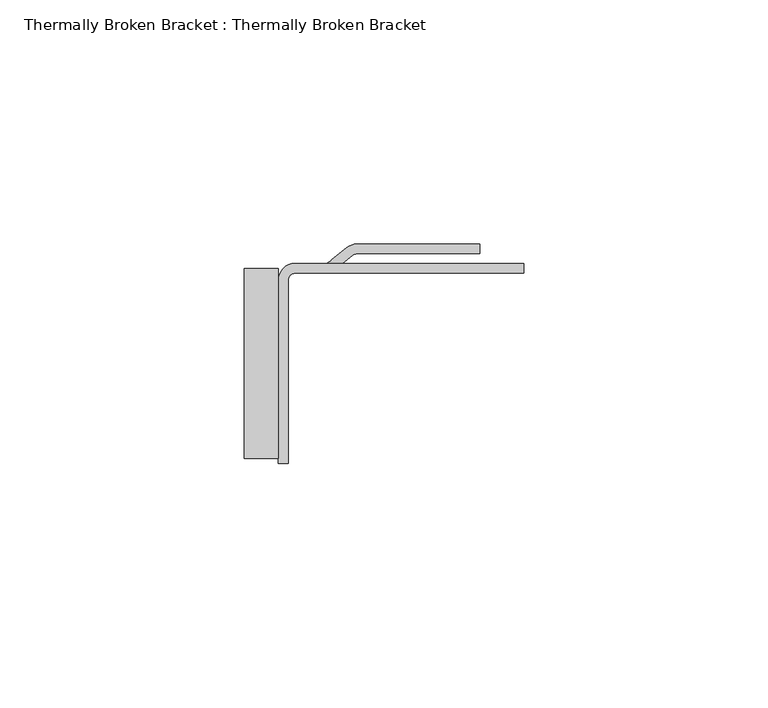
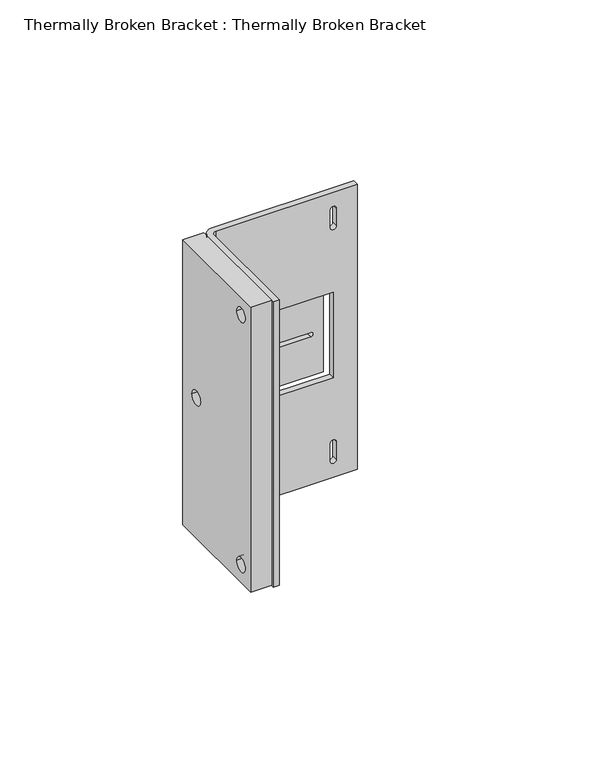
"""IFC4 building model written with IfcOpenShell, lengths in millimetres: proxy geometry, Thermally Broken Bracket : Thermally Broken Bracket."""

from ifc_helpers import new_model, si_unit, point, frame, frame_2d, origin, place, context, project, spatial, polyline, circle_curve, trimmed, segment, composite_curve, outline, extrude, source, transform, mapped, element, save
from ifc_brep_helpers import plane_surface, cylinder_surface, revolved_surface, advanced_brep


def thermally_broken_bracket_thermally_broken_bracket_c1fb8875(model_context):
    return source(origin(), model_context, "Body", "SolidModel", [
        extrude(outline(polyline([(1.0, 100.0), (40.0, 100.0), (40.0, 0.0), (1.0, 0.0), (1.0, 100.0)]), holes=[composite_curve([segment(trimmed(circle_curve(frame_2d((6.4576958, 94.0450858)), 2.4505536), [point((4.0071422, 94.0450858))], [point((8.9082494, 94.0450858))], True, "CARTESIAN"), True, "CONTINUOUS"), segment(trimmed(circle_curve(frame_2d((6.4576958, 94.0450858)), 2.4505536), [point((8.9082494, 94.0450858))], [point((4.0071422, 94.0450858))], True, "CARTESIAN"), True, "CONTINUOUS")], self_intersect=False), composite_curve([segment(trimmed(circle_curve(frame_2d((6.4576958, 6.4183695)), 2.4505536), [point((4.0071422, 6.4183695))], [point((8.9082494, 6.4183695))], True, "CARTESIAN"), True, "CONTINUOUS"), segment(trimmed(circle_curve(frame_2d((6.4576958, 6.4183695)), 2.4505536), [point((8.9082494, 6.4183695))], [point((4.0071422, 6.4183695))], True, "CARTESIAN"), True, "CONTINUOUS")], self_intersect=False), composite_curve([segment(trimmed(circle_curve(frame_2d((32.2095996, 49.2767345)), 2.4505536), [point((29.759046, 49.2767345))], [point((34.6601531, 49.2767345))], True, "CARTESIAN"), True, "CONTINUOUS"), segment(trimmed(circle_curve(frame_2d((32.2095996, 49.2767345)), 2.4505536), [point((34.6601531, 49.2767345))], [point((29.759046, 49.2767345))], True, "CARTESIAN"), True, "CONTINUOUS")], self_intersect=False)]), frame((-8.0, 0.0, 0.0), z_axis=(1.0, 0.0, 0.0), x_axis=(0.0, 1.0, 0.0)), (0.0, 0.0, 1.0), 7.0),
        advanced_brep(
        [(15.1051179, 43.0, 65.0), (40.3025503, 43.0, 65.0), (40.3025503, 44.9987252, 65.0), (15.1095921, 44.9987252, 65.0), (13.0308023, 44.2750459, 65.0), (9.9688758, 41.7869351, 65.0), (8.6606481, 41.0002977, 65.0), (7.8355145, 41.0002977, 65.0), (7.8355145, 39.0, 65.0), (8.8231592, 39.0, 65.0), (10.374929, 39.5400786, 65.0), (14.284638, 42.7129438, 65.0), (15.1051179, 43.0, 35.0), (14.284638, 42.7129438, 35.0), (10.374929, 39.5400786, 35.0), (8.8231592, 39.0, 35.0), (7.8355145, 39.0, 35.0), (7.8355145, 41.0002977, 35.0), (8.6606481, 41.0002977, 35.0), (9.9688758, 41.7869351, 35.0), (13.0308023, 44.2750459, 35.0), (15.1095921, 44.9987252, 35.0), (40.3025503, 44.9987252, 35.0), (40.3025503, 43.0, 35.0), (18.7460185, 43.0, 50.1951383), (36.1521604, 43.0, 50.1951383), (36.1521604, 43.0, 48.6407569), (18.7460185, 43.0, 48.6407569), (36.1521604, 44.9987252, 50.1951383), (18.7460185, 44.9987252, 50.1951383), (18.7460185, 44.9987252, 48.6407569), (36.1521604, 44.9987252, 48.6407569)],
        [
            (0, 1),
            (1, 2),
            (2, 3),
            (3, 4, circle_curve(frame((15.1095921, 41.6511935, 65.0), z_axis=(0.0, 0.0, 1.0), x_axis=(1.0, 0.0, 0.0)), 3.3475317)),
            (4, 5),
            (5, 6, circle_curve(frame((8.2342508, 43.1905747, 65.0), z_axis=(0.0, 0.0, -1.0), x_axis=(1.0, 0.0, 0.0)), 2.2313961)),
            (6, 7),
            (7, 8),
            (8, 9),
            (9, 10, circle_curve(frame((8.2345748, 43.1904732, 65.0), z_axis=(0.0, 0.0, 1.0), x_axis=(1.0, 0.0, 0.0)), 4.2316069)),
            (10, 11),
            (11, 0, circle_curve(frame((15.1167256, 41.6507238, 65.0), z_axis=(0.0, 0.0, -1.0), x_axis=(1.0, 0.0, 0.0)), 1.3493262)),
            (12, 13, circle_curve(frame((15.1167256, 41.6507238, 35.0), z_axis=(0.0, 0.0, 1.0), x_axis=(1.0, 0.0, 0.0)), 1.3493262)),
            (13, 14),
            (14, 15, circle_curve(frame((8.2345748, 43.1904732, 35.0), z_axis=(0.0, 0.0, -1.0), x_axis=(1.0, 0.0, 0.0)), 4.2316069)),
            (15, 16),
            (16, 17),
            (17, 18),
            (18, 19, circle_curve(frame((8.2342508, 43.1905747, 35.0), z_axis=(0.0, 0.0, 1.0), x_axis=(1.0, 0.0, 0.0)), 2.2313961)),
            (19, 20),
            (20, 21, circle_curve(frame((15.1095921, 41.6511935, 35.0), z_axis=(0.0, 0.0, -1.0), x_axis=(1.0, 0.0, 0.0)), 3.3475317)),
            (21, 22),
            (22, 23),
            (23, 12),
            (0, 12),
            (23, 1),
            (24, 25),
            (25, 26, circle_curve(frame((36.1521604, 43.0, 49.4179476), z_axis=(0.0, 1.0, 0.0), x_axis=(1.0, 0.0, 0.0)), 0.7771907)),
            (26, 27),
            (27, 24, circle_curve(frame((18.7460185, 43.0, 49.4179476), z_axis=(0.0, 1.0, 0.0), x_axis=(1.0, 0.0, 0.0)), 0.7771907)),
            (22, 2),
            (21, 3),
            (28, 29),
            (29, 30, circle_curve(frame((18.7460185, 44.9987252, 49.4179476), z_axis=(0.0, -1.0, 0.0), x_axis=(1.0, 0.0, 0.0)), 0.7771907)),
            (30, 31),
            (31, 28, circle_curve(frame((36.1521604, 44.9987252, 49.4179476), z_axis=(0.0, -1.0, 0.0), x_axis=(1.0, 0.0, 0.0)), 0.7771907)),
            (20, 4),
            (19, 5),
            (18, 6),
            (17, 7),
            (16, 8),
            (15, 9),
            (14, 10),
            (13, 11),
            (28, 25),
            (24, 29),
            (27, 30),
            (26, 31),
        ],
        [
            plane_surface(frame((40.3025503, 43.0, 65.0), z_axis=(0.0, 0.0, 1.0), x_axis=(1.0, 0.0, 0.0))),
            plane_surface(frame((40.3025503, 43.0, 35.0), z_axis=(0.0, 0.0, -1.0), x_axis=(-1.0, 0.0, 0.0))),
            plane_surface(frame((15.1051179, 43.0, 65.0), z_axis=(0.0, -1.0, 0.0), x_axis=(0.0, 0.0, -1.0))),
            plane_surface(frame((40.3025503, 43.0, 65.0), z_axis=(1.0, 0.0, 0.0), x_axis=(0.0, 0.0, -1.0))),
            plane_surface(frame((40.3025503, 44.9987252, 65.0), z_axis=(0.0, 1.0, 0.0), x_axis=(0.0, 0.0, -1.0))),
            cylinder_surface(frame((15.1095921, 41.6511935, 35.0), z_axis=(0.0, 0.0, 1.0), x_axis=(1.0, 0.0, 0.0)), 3.3475317),
            plane_surface(frame((13.0308023, 44.2750459, 65.0), z_axis=(-0.6306377432033883, 0.7760773394754787, 0.0), x_axis=(0.0, 0.0, -1.0))),
            revolved_surface(polyline([(10.4656469, 43.1905747, 35.0), (10.4656469, 43.1905747, 65.0)]), (8.2342508, 43.1905747, 35.0), (0.0, 0.0, -1.0)),
            plane_surface(frame((8.6606481, 41.0002977, 65.0), z_axis=(0.0, 1.0, 0.0), x_axis=(0.0, 0.0, -1.0))),
            plane_surface(frame((7.8355145, 41.0002977, 65.0), z_axis=(-1.0, 0.0, 0.0), x_axis=(0.0, 0.0, -1.0))),
            plane_surface(frame((7.8355145, 39.0, 65.0), z_axis=(0.0, -1.0, 0.0), x_axis=(0.0, 0.0, -1.0))),
            cylinder_surface(frame((8.2345748, 43.1904732, 35.0), z_axis=(0.0, 0.0, 1.0), x_axis=(1.0, 0.0, 0.0)), 4.2316069),
            plane_surface(frame((10.374929, 39.5400786, 65.0), z_axis=(0.6301411123358556, -0.7764806362969593, 0.0), x_axis=(0.0, 0.0, -1.0))),
            revolved_surface(polyline([(16.4660518, 41.6507238, 35.0), (16.4660518, 41.6507238, 65.0)]), (15.1167256, 41.6507238, 35.0), (0.0, 0.0, -1.0)),
            plane_surface(frame((36.1521604, -250.0, 50.1951383), z_axis=(0.0, 0.0, -1.0), x_axis=(0.0, 1.0, 0.0))),
            revolved_surface(polyline([(19.5232092, 43.0, 49.4179476), (19.5232092, 44.998725199999996, 49.4179476)]), (18.7460185, 123.8929149, 49.4179476), (0.0, -1.0, 0.0)),
            plane_surface(frame((18.7460185, -250.0, 48.6407569), z_axis=(0.0, 0.0, 1.0), x_axis=(0.0, 1.0, 0.0))),
            revolved_surface(polyline([(36.9293511, 43.0, 49.4179476), (36.9293511, 44.998725199999996, 49.4179476)]), (36.1521604, 123.8929149, 49.4179476), (0.0, -1.0, 0.0)),
        ],
        [
            (0, [[1, 2, 3, 4, 5, 6, 7, 8, 9, 10, 11, 12]]),
            (1, [[13, 14, 15, 16, 17, 18, 19, 20, 21, 22, 23, 24]]),
            (2, [[-1, 25, -24, 26], [27, 28, 29, 30]]),
            (3, [[-2, -26, -23, 31]]),
            (4, [[-3, -31, -22, 32], [33, 34, 35, 36]]),
            (5, [[-4, -32, -21, 37]]),
            (6, [[-5, -37, -20, 38]]),
            (7, [[-6, -38, -19, 39]]),
            (8, [[-7, -39, -18, 40]]),
            (9, [[-8, -40, -17, 41]]),
            (10, [[-9, -41, -16, 42]]),
            (11, [[-10, -42, -15, 43]]),
            (12, [[-11, -43, -14, 44]]),
            (13, [[-12, -44, -13, -25]]),
            (14, [[45, -27, 46, -33]]),
            (15, [[-46, -30, 47, -34]]),
            (16, [[-47, -29, 48, -35]]),
            (17, [[-45, -36, -48, -28]]),
        ],
    ),
        advanced_brep(
        [(2.4413108, 41.0, 100.0), (-1.0, 37.5586892, 100.0), (-1.0, 0.0, 100.0), (1.0, 0.0, 100.0), (1.0, 37.5586892, 100.0), (2.4413108, 39.0, 100.0), (49.3025503, 39.0, 100.0), (49.3025503, 41.0, 100.0), (2.4413108, 41.0, 0.0), (49.3025503, 41.0, 0.0), (49.3025503, 39.0, 0.0), (2.4413108, 39.0, 0.0), (1.0, 37.5586892, 0.0), (1.0, 0.0, 0.0), (-1.0, 0.0, 0.0), (-1.0, 37.5586892, 0.0), (-1.0, 4.0071422, 94.0450858), (-1.0, 8.9082494, 94.0450858), (-1.0, 4.0071422, 6.4183695), (-1.0, 8.9082494, 6.4183695), (-1.0, 29.759046, 49.2767345), (-1.0, 34.6601531, 49.2767345), (1.0, 8.9082494, 94.0450858), (1.0, 4.0071422, 94.0450858), (1.0, 8.9082494, 6.4183695), (1.0, 4.0071422, 6.4183695), (1.0, 34.6601531, 49.2767345), (1.0, 29.759046, 49.2767345), (12.0, 39.0, 65.0), (41.3025503, 39.0, 65.0), (41.3025503, 39.0, 35.0), (12.0, 39.0, 35.0), (40.3899225, 39.0, 94.0221609), (42.3988949, 39.0, 94.0221609), (42.3988949, 39.0, 87.9148849), (40.3899225, 39.0, 87.9148849), (42.3988949, 39.0, 12.0851151), (42.3988949, 39.0, 5.9778391), (40.3899225, 39.0, 5.9778391), (40.3899225, 39.0, 12.0851151), (41.3025503, 41.0, 65.0), (12.0, 41.0, 65.0), (12.0, 41.0, 35.0), (41.3025503, 41.0, 35.0), (42.3988949, 41.0, 94.0221609), (40.3899225, 41.0, 94.0221609), (40.3899225, 41.0, 87.9148849), (42.3988949, 41.0, 87.9148849), (42.3988949, 41.0, 5.9778391), (42.3988949, 41.0, 12.0851151), (40.3899225, 41.0, 12.0851151), (40.3899225, 41.0, 5.9778391)],
        [
            (0, 1, circle_curve(frame((2.4413108, 37.5586892, 100.0), z_axis=(0.0, 0.0, 1.0), x_axis=(1.0, 0.0, 0.0)), 3.4413108)),
            (1, 2),
            (2, 3),
            (3, 4),
            (4, 5, circle_curve(frame((2.4413108, 37.5586892, 100.0), z_axis=(0.0, 0.0, -1.0), x_axis=(1.0, 0.0, 0.0)), 1.4413108)),
            (5, 6),
            (6, 7),
            (7, 0),
            (8, 9),
            (9, 10),
            (10, 11),
            (11, 12, circle_curve(frame((2.4413108, 37.5586892, 0.0), z_axis=(0.0, 0.0, 1.0), x_axis=(1.0, 0.0, 0.0)), 1.4413108)),
            (12, 13),
            (13, 14),
            (14, 15),
            (15, 8, circle_curve(frame((2.4413108, 37.5586892, 0.0), z_axis=(0.0, 0.0, -1.0), x_axis=(1.0, 0.0, 0.0)), 3.4413108)),
            (0, 8),
            (15, 1),
            (14, 2),
            (16, 17, circle_curve(frame((-1.0, 6.4576958, 94.0450858), z_axis=(1.0, 0.0, 0.0), x_axis=(0.0, 1.0, 0.0)), 2.4505536)),
            (17, 16, circle_curve(frame((-1.0, 6.4576958, 94.0450858), z_axis=(1.0, 0.0, 0.0), x_axis=(0.0, 1.0, 0.0)), 2.4505536)),
            (18, 19, circle_curve(frame((-1.0, 6.4576958, 6.4183695), z_axis=(1.0, 0.0, 0.0), x_axis=(0.0, 1.0, 0.0)), 2.4505536)),
            (19, 18, circle_curve(frame((-1.0, 6.4576958, 6.4183695), z_axis=(1.0, 0.0, 0.0), x_axis=(0.0, 1.0, 0.0)), 2.4505536)),
            (20, 21, circle_curve(frame((-1.0, 32.2095996, 49.2767345), z_axis=(1.0, 0.0, 0.0), x_axis=(0.0, 1.0, 0.0)), 2.4505536)),
            (21, 20, circle_curve(frame((-1.0, 32.2095996, 49.2767345), z_axis=(1.0, 0.0, 0.0), x_axis=(0.0, 1.0, 0.0)), 2.4505536)),
            (13, 3),
            (12, 4),
            (22, 23, circle_curve(frame((1.0, 6.4576958, 94.0450858), z_axis=(-1.0, 0.0, 0.0), x_axis=(0.0, 1.0, 0.0)), 2.4505536)),
            (23, 22, circle_curve(frame((1.0, 6.4576958, 94.0450858), z_axis=(-1.0, 0.0, 0.0), x_axis=(0.0, 1.0, 0.0)), 2.4505536)),
            (24, 25, circle_curve(frame((1.0, 6.4576958, 6.4183695), z_axis=(-1.0, 0.0, 0.0), x_axis=(0.0, 1.0, 0.0)), 2.4505536)),
            (25, 24, circle_curve(frame((1.0, 6.4576958, 6.4183695), z_axis=(-1.0, 0.0, 0.0), x_axis=(0.0, 1.0, 0.0)), 2.4505536)),
            (26, 27, circle_curve(frame((1.0, 32.2095996, 49.2767345), z_axis=(-1.0, 0.0, 0.0), x_axis=(0.0, 1.0, 0.0)), 2.4505536)),
            (27, 26, circle_curve(frame((1.0, 32.2095996, 49.2767345), z_axis=(-1.0, 0.0, 0.0), x_axis=(0.0, 1.0, 0.0)), 2.4505536)),
            (11, 5),
            (10, 6),
            (28, 29),
            (29, 30),
            (30, 31),
            (31, 28),
            (32, 33, circle_curve(frame((41.3944087, 39.0, 94.0221609), z_axis=(0.0, 1.0, 0.0), x_axis=(1.0, 0.0, 0.0)), 1.0044862)),
            (33, 34),
            (34, 35, circle_curve(frame((41.3944087, 39.0, 87.9148849), z_axis=(0.0, 1.0, 0.0), x_axis=(1.0, 0.0, 0.0)), 1.0044862)),
            (35, 32),
            (36, 37),
            (37, 38, circle_curve(frame((41.3944087, 39.0, 5.9778391), z_axis=(0.0, 1.0, 0.0), x_axis=(1.0, 0.0, 0.0)), 1.0044862)),
            (38, 39),
            (39, 36, circle_curve(frame((41.3944087, 39.0, 12.0851151), z_axis=(0.0, 1.0, 0.0), x_axis=(1.0, 0.0, 0.0)), 1.0044862)),
            (9, 7),
            (40, 41),
            (41, 42),
            (42, 43),
            (43, 40),
            (44, 45, circle_curve(frame((41.3944087, 41.0, 94.0221609), z_axis=(0.0, -1.0, 0.0), x_axis=(1.0, 0.0, 0.0)), 1.0044862)),
            (45, 46),
            (46, 47, circle_curve(frame((41.3944087, 41.0, 87.9148849), z_axis=(0.0, -1.0, 0.0), x_axis=(1.0, 0.0, 0.0)), 1.0044862)),
            (47, 44),
            (48, 49),
            (49, 50, circle_curve(frame((41.3944087, 41.0, 12.0851151), z_axis=(0.0, -1.0, 0.0), x_axis=(1.0, 0.0, 0.0)), 1.0044862)),
            (50, 51),
            (51, 48, circle_curve(frame((41.3944087, 41.0, 5.9778391), z_axis=(0.0, -1.0, 0.0), x_axis=(1.0, 0.0, 0.0)), 1.0044862)),
            (40, 29),
            (28, 41),
            (31, 42),
            (30, 43),
            (16, 23),
            (22, 17),
            (18, 25),
            (24, 19),
            (20, 27),
            (26, 21),
            (44, 33),
            (32, 45),
            (35, 46),
            (34, 47),
            (48, 37),
            (36, 49),
            (39, 50),
            (38, 51),
        ],
        [
            plane_surface(frame((5.8826216, 37.5586892, 100.0), z_axis=(0.0, 0.0, 1.0), x_axis=(0.0, 1.0, 0.0))),
            plane_surface(frame((5.8826216, 37.5586892, 0.0), z_axis=(0.0, 0.0, -1.0), x_axis=(0.0, -1.0, 0.0))),
            cylinder_surface(frame((2.4413108, 37.5586892, 0.0), z_axis=(0.0, 0.0, 1.0), x_axis=(1.0, 0.0, 0.0)), 3.4413108),
            plane_surface(frame((-1.0, 37.5586892, 100.0), z_axis=(-1.0, 0.0, 0.0), x_axis=(0.0, 0.0, -1.0))),
            plane_surface(frame((-1.0, 0.0, 100.0), z_axis=(0.0, -1.0, 0.0), x_axis=(0.0, 0.0, -1.0))),
            plane_surface(frame((1.0, 0.0, 100.0), z_axis=(1.0, 0.0, 0.0), x_axis=(0.0, 0.0, -1.0))),
            revolved_surface(polyline([(3.8826216000000002, 37.5586892, 0.0), (3.8826216000000002, 37.5586892, 100.0)]), (2.4413108, 37.5586892, 0.0), (0.0, 0.0, -1.0)),
            plane_surface(frame((2.4413108, 39.0, 100.0), z_axis=(0.0, -1.0, 0.0), x_axis=(0.0, 0.0, -1.0))),
            plane_surface(frame((49.3025503, 39.0, 100.0), z_axis=(1.0, 0.0, 0.0), x_axis=(0.0, 0.0, -1.0))),
            plane_surface(frame((49.3025503, 41.0, 100.0), z_axis=(0.0, 1.0, 0.0), x_axis=(0.0, 0.0, -1.0))),
            plane_surface(frame((41.3025503, -250.0, 65.0), z_axis=(0.0, 0.0, -1.0), x_axis=(0.0, 1.0, 0.0))),
            plane_surface(frame((12.0, -250.0, 65.0), z_axis=(1.0, 0.0, 0.0), x_axis=(0.0, 1.0, 0.0))),
            plane_surface(frame((12.0, -250.0, 35.0), z_axis=(0.0, 0.0, 1.0), x_axis=(0.0, 1.0, 0.0))),
            plane_surface(frame((41.3025503, -250.0, 35.0), z_axis=(-1.0, 0.0, 0.0), x_axis=(0.0, 1.0, 0.0))),
            revolved_surface(polyline([(1.0, 8.908249399999999, 94.0450858), (-1.0, 8.908249399999999, 94.0450858)]), (-54.0012395, 6.4576958, 94.0450858), (1.0, 0.0, 0.0)),
            revolved_surface(polyline([(1.0, 8.908249399999999, 6.4183695), (-1.0, 8.908249399999999, 6.4183695)]), (0.0, 6.4576958, 6.4183695), (1.0, 0.0, 0.0)),
            revolved_surface(polyline([(1.0, 34.660153199999996, 49.2767345), (-1.0, 34.660153199999996, 49.2767345)]), (0.0, 32.2095996, 49.2767345), (1.0, 0.0, 0.0)),
            revolved_surface(polyline([(42.3988949, 39.0, 94.0221609), (42.3988949, 41.0, 94.0221609)]), (41.3944087, 319.0895225, 94.0221609), (0.0, -1.0, 0.0)),
            plane_surface(frame((40.3899225, -250.0, 94.0221609), z_axis=(1.0, 0.0, 0.0), x_axis=(0.0, 1.0, 0.0))),
            revolved_surface(polyline([(42.3988949, 39.0, 87.9148849), (42.3988949, 41.0, 87.9148849)]), (41.3944087, 319.0895225, 87.9148849), (0.0, -1.0, 0.0)),
            plane_surface(frame((42.3988949, -250.0, 87.9148849), z_axis=(-1.0, 0.0, 0.0), x_axis=(0.0, 1.0, 0.0))),
            plane_surface(frame((42.3988949, -250.0, 5.9778391), z_axis=(-1.0, 0.0, 0.0), x_axis=(0.0, 1.0, 0.0))),
            revolved_surface(polyline([(42.3988949, 39.0, 12.0851151), (42.3988949, 41.0, 12.0851151)]), (41.3944087, 0.0, 12.0851151), (0.0, -1.0, 0.0)),
            plane_surface(frame((40.3899225, -250.0, 12.0851151), z_axis=(1.0, 0.0, 0.0), x_axis=(0.0, 1.0, 0.0))),
            revolved_surface(polyline([(42.3988949, 39.0, 5.9778391), (42.3988949, 41.0, 5.9778391)]), (41.3944087, 0.0, 5.9778391), (0.0, -1.0, 0.0)),
        ],
        [
            (0, [[1, 2, 3, 4, 5, 6, 7, 8]]),
            (1, [[9, 10, 11, 12, 13, 14, 15, 16]]),
            (2, [[-1, 17, -16, 18]]),
            (3, [[-2, -18, -15, 19], [20, 21], [22, 23], [24, 25]]),
            (4, [[-3, -19, -14, 26]]),
            (5, [[-4, -26, -13, 27], [28, 29], [30, 31], [32, 33]]),
            (6, [[-5, -27, -12, 34]]),
            (7, [[-6, -34, -11, 35], [36, 37, 38, 39], [40, 41, 42, 43], [44, 45, 46, 47]]),
            (8, [[-7, -35, -10, 48]]),
            (9, [[-8, -48, -9, -17], [49, 50, 51, 52], [53, 54, 55, 56], [57, 58, 59, 60]]),
            (10, [[61, -36, 62, -49]]),
            (11, [[-62, -39, 63, -50]]),
            (12, [[-63, -38, 64, -51]]),
            (13, [[-61, -52, -64, -37]]),
            (14, [[65, -28, 66, -20]]),
            (14, [[-65, -21, -66, -29]]),
            (15, [[67, -30, 68, -22]]),
            (15, [[-67, -23, -68, -31]]),
            (16, [[69, -32, 70, -24]]),
            (16, [[-69, -25, -70, -33]]),
            (17, [[71, -40, 72, -53]]),
            (18, [[-72, -43, 73, -54]]),
            (19, [[-73, -42, 74, -55]]),
            (20, [[-71, -56, -74, -41]]),
            (21, [[75, -44, 76, -57]]),
            (22, [[-76, -47, 77, -58]]),
            (23, [[-77, -46, 78, -59]]),
            (24, [[-75, -60, -78, -45]]),
        ],
    ),
    ])


if __name__ == "__main__":
    model = new_model("IFC4")
    model_context = context("Model", 3, world=origin())
    ifc_project = project(units=[si_unit("LENGTHUNIT", "METRE", prefix="MILLI")], contexts=[model_context])
    site = spatial("IfcSite", under=ifc_project)
    building = spatial("IfcBuilding", under=site)
    placement = place(None, origin())
    thermally_broken_bracket_thermally_broken_bracket_shape = thermally_broken_bracket_thermally_broken_bracket_c1fb8875(model_context)
    element("IfcBuildingElementProxy", 1, Name="Thermally Broken Bracket : Thermally Broken Bracket", ObjectType="Thermally Broken Bracket : Thermally Broken Bracket", at=placement, inside=building, context=model_context, shape_type="MappedRepresentation", body=[
        mapped(thermally_broken_bracket_thermally_broken_bracket_shape, transform((0.0, 0.0, 0.0), x_axis=(1.0, 0.0, 0.0), y_axis=(0.0, 1.0, 0.0), z_axis=(0.0, 0.0, 1.0))),
    ])
    save(model, "model.ifc")
